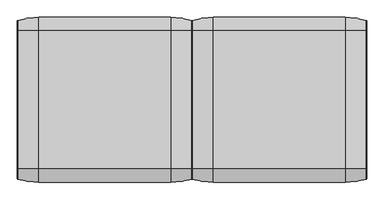
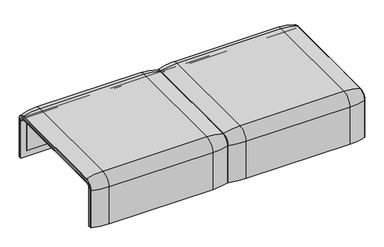
"""IFC4 building model written with IfcOpenShell, lengths in millimetres: furniture geometry."""

from ifc_helpers import new_model, si_unit, point, frame, frame_2d, origin, place, context, project, spatial, polyline, circle_curve, ellipse_curve, trimmed, segment, composite_curve, outline, extrude, source, transform, mapped, element, save
from ifc_brep_helpers import plane_surface, cylinder_surface, revolved_surface, advanced_brep


def furniture_81c71970(model_context):
    return source(origin(), model_context, "Body", "SolidModel", [
        advanced_brep(
        [(0.0, 324.3858663, 366.172434), (0.0, -324.3858663, 366.172434), (34.9, -324.3858663, 366.172434), (34.9, 324.3858663, 366.172434), (815.9812488, -324.3858663, 366.172434), (815.9812488, 324.3858663, 366.172434), (781.0812488, 324.3858663, 366.172434), (781.0812488, -324.3858663, 366.172434), (0.0, -357.5, 333.0583003), (0.0, -357.5, 100.5089435), (815.9812488, -357.5, 100.5089435), (815.9812488, -357.5, 333.0583003), (781.0812488, -357.5, 333.0583003), (781.0812488, -357.5, 135.3766997), (34.9, -357.5, 135.3766997), (34.9, -357.5, 333.0583003), (0.0, 351.0, 332.6742277), (0.0, 351.0, 100.5089435), (815.9812488, 351.0, 100.5089435), (815.9812488, 351.0, 332.6742277), (781.0812488, 351.0, 332.6742277), (781.0812488, 351.0, 135.3766997), (34.9, 351.0, 135.3766997), (34.9, 351.0, 332.6742277), (781.0812488, -351.0, 135.3766997), (781.0812488, 357.5, 333.0583003), (781.0812488, 357.5, 135.3766997), (781.0812488, 323.7517936, 359.922434), (781.0812488, -323.7517936, 359.922434), (781.0812488, -351.0, 332.6742277), (34.9, -351.0, 135.3766997), (0.0, 323.7517936, 359.922434), (0.0, -323.7517936, 359.922434), (0.0, -351.0, 332.6742277), (0.0, -351.0, 100.5089435), (0.0, 357.5, 333.0583003), (0.0, 357.5, 100.5089435), (815.9812488, 323.7517936, 359.922434), (815.9812488, 357.5, 100.5089435), (815.9812488, 357.5, 333.0583003), (815.9812488, -351.0, 100.5089435), (815.9812488, -351.0, 332.6742277), (815.9812488, -323.7517936, 359.922434), (34.9, -351.0, 332.6742277), (34.9, -323.7517936, 359.922434), (34.9, 323.7517936, 359.922434), (34.9, 357.5, 333.0583003), (34.9, 357.5, 135.3766997)],
        [
            (0, 1),
            (1, 2),
            (2, 3),
            (3, 0),
            (4, 5),
            (5, 6),
            (6, 7),
            (7, 4),
            (8, 9),
            (9, 10),
            (10, 11),
            (11, 12),
            (12, 13),
            (13, 14),
            (14, 15),
            (15, 8),
            (16, 17),
            (17, 18),
            (18, 19),
            (19, 20),
            (20, 21),
            (21, 22),
            (22, 23),
            (23, 16),
            (24, 13),
            (12, 7, circle_curve(frame((781.0812488, -324.3858663, 333.0583003), z_axis=(-1.0, 0.0, 0.0), x_axis=(0.0, -1.0, 0.0)), 33.1141337)),
            (6, 25, circle_curve(frame((781.0812488, 324.3858663, 333.0583003), z_axis=(-1.0, 0.0, 0.0), x_axis=(0.0, 1.0, 0.0)), 33.1141337)),
            (25, 26),
            (26, 21),
            (20, 27, circle_curve(frame((781.0812488, 323.7517936, 332.6742277), z_axis=(1.0, 0.0, 0.0), x_axis=(0.0, 1.0, 0.0)), 27.2482064)),
            (27, 28),
            (28, 29, circle_curve(frame((781.0812488, -323.7517936, 332.6742277), z_axis=(1.0, 0.0, 0.0), x_axis=(0.0, -1.0, 0.0)), 27.2482064)),
            (29, 24),
            (30, 14),
            (24, 30),
            (31, 32),
            (32, 33, circle_curve(frame((0.0, -323.7517936, 332.6742277), z_axis=(1.0, 0.0, 0.0), x_axis=(0.0, -1.0, 0.0)), 27.2482064)),
            (33, 34),
            (34, 9),
            (8, 1, circle_curve(frame((0.0, -324.3858663, 333.0583003), z_axis=(-1.0, 0.0, 0.0), x_axis=(0.0, -1.0, 0.0)), 33.1141337)),
            (0, 35, circle_curve(frame((0.0, 324.3858663, 333.0583003), z_axis=(-1.0, 0.0, 0.0), x_axis=(0.0, 1.0, 0.0)), 33.1141337)),
            (35, 36),
            (36, 17),
            (16, 31, circle_curve(frame((0.0, 323.7517936, 332.6742277), z_axis=(1.0, 0.0, 0.0), x_axis=(0.0, 1.0, 0.0)), 27.2482064)),
            (37, 19, circle_curve(frame((815.9812488, 323.7517936, 332.6742277), z_axis=(-1.0, 0.0, 0.0), x_axis=(0.0, 1.0, 0.0)), 27.2482064)),
            (18, 38),
            (38, 39),
            (39, 5, circle_curve(frame((815.9812488, 324.3858663, 333.0583003), z_axis=(1.0, 0.0, 0.0), x_axis=(0.0, 1.0, 0.0)), 33.1141337)),
            (4, 11, circle_curve(frame((815.9812488, -324.3858663, 333.0583003), z_axis=(1.0, 0.0, 0.0), x_axis=(0.0, -1.0, 0.0)), 33.1141337)),
            (10, 40),
            (40, 41),
            (41, 42, circle_curve(frame((815.9812488, -323.7517936, 332.6742277), z_axis=(-1.0, 0.0, 0.0), x_axis=(0.0, -1.0, 0.0)), 27.2482064)),
            (42, 37),
            (15, 2, circle_curve(frame((34.9, -324.3858663, 333.0583003), z_axis=(-1.0, 0.0, 0.0), x_axis=(0.0, -1.0, 0.0)), 33.1141337)),
            (34, 40),
            (33, 43),
            (43, 30),
            (29, 41),
            (32, 44),
            (44, 43, circle_curve(frame((34.9, -323.7517936, 332.6742277), z_axis=(1.0, 0.0, 0.0), x_axis=(0.0, -1.0, 0.0)), 27.2482064)),
            (28, 42),
            (31, 45),
            (45, 44),
            (27, 37),
            (3, 46, circle_curve(frame((34.9, 324.3858663, 333.0583003), z_axis=(-1.0, 0.0, 0.0), x_axis=(0.0, 1.0, 0.0)), 33.1141337)),
            (46, 35),
            (39, 25),
            (46, 47),
            (47, 26),
            (38, 36),
            (23, 45, circle_curve(frame((34.9, 323.7517936, 332.6742277), z_axis=(1.0, 0.0, 0.0), x_axis=(0.0, 1.0, 0.0)), 27.2482064)),
            (22, 47),
        ],
        [
            plane_surface(frame((0.0, -324.3858663, 366.172434), z_axis=(0.0, 0.0, 1.0), x_axis=(1.0, 0.0, 0.0))),
            plane_surface(frame((0.0, -357.5, 100.5089435), z_axis=(0.0, -1.0, 0.0), x_axis=(1.0, 0.0, 0.0))),
            plane_surface(frame((0.0, 351.0, 100.5089435), z_axis=(0.0, -1.0, 0.0), x_axis=(1.0, 0.0, 0.0))),
            plane_surface(frame((781.0812488, -296.9265415, 359.922434), z_axis=(-1.0, 0.0, 0.0), x_axis=(0.0, 1.0, 0.0))),
            plane_surface(frame((34.9, -351.0, 135.3766997), z_axis=(0.0, 0.0, 1.0), x_axis=(1.0, 0.0, 0.0))),
            plane_surface(frame((0.0, -296.9265415, 359.922434), z_axis=(-1.0, 0.0, 0.0), x_axis=(0.0, -1.0, 0.0))),
            plane_surface(frame((815.9812488, -296.9265415, 359.922434), z_axis=(1.0, 0.0, 0.0), x_axis=(0.0, 1.0, 0.0))),
            cylinder_surface(frame((815.9812488, -324.3858663, 333.0583003), z_axis=(-1.0, 0.0, 0.0), x_axis=(0.0, -1.0, 0.0)), 33.1141337),
            plane_surface(frame((0.0, -351.0, 100.5089435), z_axis=(0.0, 0.0, -1.0), x_axis=(1.0, 0.0, 0.0))),
            plane_surface(frame((0.0, -351.0, 332.6742277), z_axis=(0.0, 1.0, 0.0), x_axis=(1.0, 0.0, 0.0))),
            revolved_surface(polyline([(34.89999999999998, -351.0, 332.6742277), (0.0, -351.0, 332.6742277)]), (815.9812488, -323.7517936, 332.6742277), (1.0, 0.0, 0.0)),
            revolved_surface(polyline([(815.9812488, -351.0, 332.6742277), (781.0812488, -351.0, 332.6742277)]), (815.9812488, -323.7517936, 332.6742277), (1.0, 0.0, 0.0)),
            plane_surface(frame((0.0, 323.7517936, 359.922434), z_axis=(0.0, 0.0, -1.0), x_axis=(1.0, 0.0, 0.0))),
            cylinder_surface(frame((815.9812488, 324.3858663, 333.0583003), z_axis=(-1.0, 0.0, 0.0), x_axis=(0.0, 1.0, 0.0)), 33.1141337),
            plane_surface(frame((0.0, 357.5, 333.0583003), z_axis=(0.0, 1.0, 0.0), x_axis=(1.0, 0.0, 0.0))),
            plane_surface(frame((0.0, 357.5, 100.5089435), z_axis=(0.0, 0.0, -1.0), x_axis=(1.0, 0.0, 0.0))),
            revolved_surface(polyline([(34.89999999999998, 351.0, 332.6742277), (0.0, 351.0, 332.6742277)]), (815.9812488, 323.7517936, 332.6742277), (1.0, 0.0, 0.0)),
            revolved_surface(polyline([(815.9812488, 351.0, 332.6742277), (781.0812488, 351.0, 332.6742277)]), (815.9812488, 323.7517936, 332.6742277), (1.0, 0.0, 0.0)),
            plane_surface(frame((34.9, -296.9265415, 359.922434), z_axis=(1.0, 0.0, 0.0), x_axis=(0.0, -1.0, 0.0))),
            plane_surface(frame((34.9, 357.5, 135.3766997), z_axis=(0.0, 0.0, 1.0), x_axis=(1.0, 0.0, 0.0))),
        ],
        [
            (0, [[1, 2, 3, 4]]),
            (0, [[5, 6, 7, 8]]),
            (1, [[9, 10, 11, 12, 13, 14, 15, 16]]),
            (2, [[17, 18, 19, 20, 21, 22, 23, 24]]),
            (3, [[25, -13, 26, -7, 27, 28, 29, -21, 30, 31, 32, 33]]),
            (4, [[34, -14, -25, 35]]),
            (5, [[36, 37, 38, 39, -9, 40, -1, 41, 42, 43, -17, 44]]),
            (6, [[45, -19, 46, 47, 48, -5, 49, -11, 50, 51, 52, 53]]),
            (7, [[-40, -16, 54, -2]]),
            (7, [[-49, -8, -26, -12]]),
            (8, [[-39, 55, -50, -10]]),
            (9, [[-38, 56, 57, -35, -33, 58, -51, -55]]),
            (10, [[-37, 59, 60, -56]]),
            (11, [[-52, -58, -32, 61]]),
            (12, [[-36, 62, 63, -59]]),
            (12, [[-53, -61, -31, 64]]),
            (13, [[-41, -4, 65, 66]]),
            (13, [[-48, 67, -27, -6]]),
            (14, [[-42, -66, 68, 69, -28, -67, -47, 70]]),
            (15, [[-43, -70, -46, -18]]),
            (16, [[-44, -24, 71, -62]]),
            (17, [[-45, -64, -30, -20]]),
            (18, [[72, -68, -65, -3, -54, -15, -34, -57, -60, -63, -71, -23]]),
            (19, [[-72, -22, -29, -69]]),
        ],
    ),
        extrude(outline(composite_curve([segment(polyline([(323.7517936, 359.922434), (-323.7517936, 359.922434)]), True, "CONTINUOUS"), segment(trimmed(circle_curve(frame_2d((-323.7517936, 332.6742277)), 27.2482064), [point((-323.7517936, 359.922434))], [point((-351.0, 332.6742277))], True, "CARTESIAN"), True, "CONTINUOUS"), segment(polyline([(-351.0, 332.6742277), (-351.0, 135.3766997), (-357.5, 135.3766997), (-357.5, 333.0583003)]), True, "CONTINUOUS"), segment(trimmed(circle_curve(frame_2d((-324.3858663, 333.0583003)), 33.1141337), [point((-357.5, 333.0583003))], [point((-324.3858663, 366.172434))], False, "CARTESIAN"), True, "CONTINUOUS"), segment(polyline([(-324.3858663, 366.172434), (324.3858663, 366.172434)]), True, "CONTINUOUS"), segment(trimmed(circle_curve(frame_2d((324.3858663, 333.0583003)), 33.1141337), [point((324.3858663, 366.172434))], [point((357.5, 333.0583003))], False, "CARTESIAN"), True, "CONTINUOUS"), segment(polyline([(357.5, 333.0583003), (357.5, 135.3766997), (351.0, 135.3766997), (351.0, 332.6742277)]), True, "CONTINUOUS"), segment(trimmed(circle_curve(frame_2d((323.7517936, 332.6742277)), 27.2482064), [point((351.0, 332.6742277))], [point((323.7517936, 359.922434))], True, "CARTESIAN"), True, "CONTINUOUS")], self_intersect=False)), frame((34.9, 0.0, 0.0), z_axis=(1.0, 0.0, 0.0), x_axis=(0.0, 1.0, 0.0)), (0.0, 0.0, 1.0), 746.1812488),
        advanced_brep(
        [(0.0, -368.7793679, 100.5089435), (0.0, -357.5, 100.5089435), (815.9812488, -357.5, 100.5089435), (815.9812488, -368.7793679, 100.5089435), (813.8426203, -371.6530483, 100.5089435), (715.9812488, -386.0043559, 100.5089435), (100.0, -386.0043559, 100.5089435), (2.1386285, -371.6530483, 100.5089435), (0.0, 368.7793679, 100.5089435), (2.1386285, 371.6530483, 100.5089435), (100.0, 386.0043559, 100.5089435), (715.9812488, 386.0043559, 100.5089435), (813.8426203, 371.6530483, 100.5089435), (815.9812488, 368.7793679, 100.5089435), (815.9812488, 357.5, 100.5089435), (0.0, 357.5, 100.5089435), (0.0, -368.7793679, 333.0583003), (0.0, -324.3858663, 377.4518019), (0.0, 324.3858663, 377.4518019), (0.0, 368.7793679, 333.0583003), (0.0, 357.5, 333.0583003), (0.0, 324.3858663, 366.172434), (0.0, -324.3858663, 366.172434), (0.0, -357.5, 333.0583003), (815.9812488, -357.5, 333.0583003), (715.9812488, -386.0043559, 333.0583003), (100.0, -386.0043559, 333.0583003), (2.1386285, -371.6530483, 333.0583003), (815.9812488, -324.3858663, 366.172434), (100.0, -324.3858663, 394.67679), (715.9812488, -324.3858663, 394.67679), (2.1386285, -324.3858663, 380.3254823), (815.9812488, 324.3858663, 366.172434), (715.9812488, 324.3858663, 394.67679), (100.0, 324.3858663, 394.67679), (2.1386285, 324.3858663, 380.3254823), (815.9812488, 357.5, 333.0583003), (100.0, 386.0043559, 333.0583003), (715.9812488, 386.0043559, 333.0583003), (2.1386285, 371.6530483, 333.0583003), (815.9812488, 368.7793679, 333.0583003), (815.9812488, 324.3858663, 377.4518019), (815.9812488, -324.3858663, 377.4518019), (815.9812488, -368.7793679, 333.0583003), (813.8426203, -371.6530483, 333.0583003), (813.8426203, -324.3858663, 380.3254823), (813.8426203, 324.3858663, 380.3254823), (813.8426203, 371.6530483, 333.0583003)],
        [
            (0, 1),
            (1, 2),
            (2, 3),
            (3, 4, circle_curve(frame((812.9812488, -368.7793679, 100.5089435), z_axis=(0.0, 0.0, -1.0), x_axis=(-1.0, 0.0, 0.0)), 3.0)),
            (4, 5, circle_curve(frame((715.9812488, -45.1710226, 100.5089435), z_axis=(0.0, 0.0, -1.0), x_axis=(0.0, 1.0, 0.0)), 340.8333333)),
            (5, 6),
            (6, 7, circle_curve(frame((100.0, -45.1710226, 100.5089435), z_axis=(0.0, 0.0, -1.0), x_axis=(0.0, 1.0, 0.0)), 340.8333333)),
            (7, 0, circle_curve(frame((3.0, -368.7793679, 100.5089435), z_axis=(0.0, 0.0, -1.0), x_axis=(1.0, 0.0, 0.0)), 3.0)),
            (8, 9, circle_curve(frame((3.0, 368.7793679, 100.5089435), z_axis=(0.0, 0.0, -1.0), x_axis=(1.0, 0.0, 0.0)), 3.0)),
            (9, 10, circle_curve(frame((100.0, 45.1710226, 100.5089435), z_axis=(0.0, 0.0, -1.0), x_axis=(0.0, -1.0, 0.0)), 340.8333333)),
            (10, 11),
            (11, 12, circle_curve(frame((715.9812488, 45.1710226, 100.5089435), z_axis=(0.0, 0.0, -1.0), x_axis=(0.0, -1.0, 0.0)), 340.8333333)),
            (12, 13, circle_curve(frame((812.9812488, 368.7793679, 100.5089435), z_axis=(0.0, 0.0, -1.0), x_axis=(-1.0, 0.0, 0.0)), 3.0)),
            (13, 14),
            (14, 15),
            (15, 8),
            (0, 16),
            (16, 17, circle_curve(frame((0.0, -324.3858663, 333.0583003), z_axis=(-1.0, 0.0, 0.0), x_axis=(0.0, -1.0, 0.0)), 44.3935016)),
            (17, 18),
            (18, 19, circle_curve(frame((0.0, 324.3858663, 333.0583003), z_axis=(-1.0, 0.0, 0.0), x_axis=(0.0, 0.0, 1.0)), 44.3935016)),
            (19, 8),
            (15, 20),
            (20, 21, circle_curve(frame((0.0, 324.3858663, 333.0583003), z_axis=(1.0, 0.0, 0.0), x_axis=(0.0, 0.0, 1.0)), 33.1141337)),
            (21, 22),
            (22, 23, circle_curve(frame((0.0, -324.3858663, 333.0583003), z_axis=(1.0, 0.0, 0.0), x_axis=(0.0, -1.0, 0.0)), 33.1141337)),
            (23, 1),
            (23, 24),
            (24, 2),
            (5, 25),
            (25, 26),
            (26, 6),
            (26, 27, circle_curve(frame((100.0, -45.1710226, 333.0583003), z_axis=(0.0, 0.0, -1.0), x_axis=(0.0, 1.0, 0.0)), 340.8333333)),
            (27, 7),
            (27, 16, circle_curve(frame((3.0, -368.7793679, 333.0583003), z_axis=(0.0, 0.0, -1.0), x_axis=(1.0, 0.0, 0.0)), 3.0)),
            (28, 24, circle_curve(frame((815.9812488, -324.3858663, 333.0583003), z_axis=(1.0, 0.0, 0.0), x_axis=(0.0, -1.0, 0.0)), 33.1141337)),
            (22, 28),
            (29, 26, circle_curve(frame((100.0, -324.3858663, 333.0583003), z_axis=(1.0, 0.0, 0.0), x_axis=(0.0, -1.0, 0.0)), 61.6184897)),
            (25, 30, circle_curve(frame((715.9812488, -324.3858663, 333.0583003), z_axis=(-1.0, 0.0, 0.0), x_axis=(0.0, -1.0, 0.0)), 61.6184897)),
            (30, 29),
            (31, 27, circle_curve(frame((2.1386285, -324.3858663, 333.0583003), z_axis=(1.0, 0.0, 0.0), x_axis=(0.0, -1.0, 0.0)), 47.267182)),
            (29, 31, circle_curve(frame((100.0, -324.3858663, 53.8434566), z_axis=(0.0, -1.0, 0.0), x_axis=(0.0, 0.0, -1.0)), 340.8333333)),
            (31, 17, circle_curve(frame((3.0, -324.3858663, 377.4518019), z_axis=(0.0, -1.0, 0.0), x_axis=(1.0, 0.0, 0.0)), 3.0)),
            (21, 32),
            (32, 28),
            (30, 33),
            (33, 34),
            (34, 29),
            (34, 35, circle_curve(frame((100.0, 324.3858663, 53.8434566), z_axis=(0.0, -1.0, 0.0), x_axis=(0.0, 0.0, -1.0)), 340.8333333)),
            (35, 31),
            (35, 18, circle_curve(frame((3.0, 324.3858663, 377.4518019), z_axis=(0.0, -1.0, 0.0), x_axis=(1.0, 0.0, 0.0)), 3.0)),
            (36, 32, circle_curve(frame((815.9812488, 324.3858663, 333.0583003), z_axis=(1.0, 0.0, 0.0), x_axis=(0.0, 0.0, 1.0)), 33.1141337)),
            (20, 36),
            (37, 34, circle_curve(frame((100.0, 324.3858663, 333.0583003), z_axis=(1.0, 0.0, 0.0), x_axis=(0.0, 0.0, 1.0)), 61.6184897)),
            (33, 38, circle_curve(frame((715.9812488, 324.3858663, 333.0583003), z_axis=(-1.0, 0.0, 0.0), x_axis=(0.0, 0.0, 1.0)), 61.6184897)),
            (38, 37),
            (39, 35, circle_curve(frame((2.1386285, 324.3858663, 333.0583003), z_axis=(1.0, 0.0, 0.0), x_axis=(0.0, 0.0, 1.0)), 47.267182)),
            (37, 39, circle_curve(frame((100.0, 45.1710226, 333.0583003), z_axis=(0.0, 0.0, 1.0), x_axis=(0.0, -1.0, 0.0)), 340.8333333)),
            (39, 19, circle_curve(frame((3.0, 368.7793679, 333.0583003), z_axis=(0.0, 0.0, 1.0), x_axis=(1.0, 0.0, 0.0)), 3.0)),
            (14, 36),
            (38, 11),
            (10, 37),
            (9, 39),
            (13, 40),
            (40, 41, circle_curve(frame((815.9812488, 324.3858663, 333.0583003), z_axis=(1.0, 0.0, 0.0), x_axis=(0.0, 0.0, 1.0)), 44.3935016)),
            (41, 42),
            (42, 43, circle_curve(frame((815.9812488, -324.3858663, 333.0583003), z_axis=(1.0, 0.0, 0.0), x_axis=(0.0, -1.0, 0.0)), 44.3935016)),
            (43, 3),
            (43, 44, circle_curve(frame((812.9812488, -368.7793679, 333.0583003), z_axis=(0.0, 0.0, -1.0), x_axis=(-1.0, 0.0, 0.0)), 3.0)),
            (44, 4),
            (44, 25, circle_curve(frame((715.9812488, -45.1710226, 333.0583003), z_axis=(0.0, 0.0, -1.0), x_axis=(0.0, 1.0, 0.0)), 340.8333333)),
            (45, 44, circle_curve(frame((813.8426203, -324.3858663, 333.0583003), z_axis=(1.0, 0.0, 0.0), x_axis=(0.0, -1.0, 0.0)), 47.267182)),
            (42, 45, circle_curve(frame((812.9812488, -324.3858663, 377.4518019), z_axis=(0.0, -1.0, 0.0), x_axis=(-1.0, 0.0, 0.0)), 3.0)),
            (45, 30, circle_curve(frame((715.9812488, -324.3858663, 53.8434566), z_axis=(0.0, -1.0, 0.0), x_axis=(0.0, 0.0, -1.0)), 340.8333333)),
            (41, 46, circle_curve(frame((812.9812488, 324.3858663, 377.4518019), z_axis=(0.0, -1.0, 0.0), x_axis=(-1.0, 0.0, 0.0)), 3.0)),
            (46, 45),
            (46, 33, circle_curve(frame((715.9812488, 324.3858663, 53.8434566), z_axis=(0.0, -1.0, 0.0), x_axis=(0.0, 0.0, -1.0)), 340.8333333)),
            (47, 46, circle_curve(frame((813.8426203, 324.3858663, 333.0583003), z_axis=(1.0, 0.0, 0.0), x_axis=(0.0, 0.0, 1.0)), 47.267182)),
            (40, 47, circle_curve(frame((812.9812488, 368.7793679, 333.0583003), z_axis=(0.0, 0.0, 1.0), x_axis=(-1.0, 0.0, 0.0)), 3.0)),
            (47, 38, circle_curve(frame((715.9812488, 45.1710226, 333.0583003), z_axis=(0.0, 0.0, 1.0), x_axis=(0.0, -1.0, 0.0)), 340.8333333)),
            (12, 47),
        ],
        [
            plane_surface(frame((0.0, -357.5, 100.5089435), z_axis=(0.0, 0.0, -1.0), x_axis=(1.0, 0.0, 0.0))),
            plane_surface(frame((0.0, 357.5, 100.5089435), z_axis=(0.0, 0.0, -1.0), x_axis=(1.0, 0.0, 0.0))),
            plane_surface(frame((0.0, -368.7793679, 100.5089435), z_axis=(-1.0, 0.0, 0.0), x_axis=(0.0, 0.0, 1.0))),
            plane_surface(frame((0.0, -357.5, 100.5089435), z_axis=(0.0, 1.0, 0.0), x_axis=(0.0, 0.0, 1.0))),
            plane_surface(frame((715.9812488, -386.0043559, 100.5089435), z_axis=(0.0, -1.0, 0.0), x_axis=(0.0, 0.0, 1.0))),
            cylinder_surface(frame((100.0, -45.1710226, 100.5089435), z_axis=(0.0, 0.0, -1.0), x_axis=(0.0, 1.0, 0.0)), 340.8333333),
            cylinder_surface(frame((3.0, -368.7793679, 100.5089435), z_axis=(0.0, 0.0, -1.0), x_axis=(1.0, 0.0, 0.0)), 3.0),
            revolved_surface(polyline([(0.0, -357.5, 333.0583003), (815.9812488, -357.5, 333.0583003)]), (0.0, -324.3858663, 333.0583003), (-1.0, 0.0, 0.0)),
            cylinder_surface(frame((0.0, -324.3858663, 333.0583003), z_axis=(-1.0, 0.0, 0.0), x_axis=(0.0, -1.0, 0.0)), 61.6184897),
            revolved_surface(trimmed(ellipse_curve(frame((100.0, -45.1710226, 333.0583003), z_axis=(0.0, 0.0, -1.0), x_axis=(0.0, 1.0, 0.0)), 340.8333333, 340.8333333), [point((100.0, -386.0043559, 333.0583003))], [point((2.1386285, -371.6530483, 333.0583003))], True, "CARTESIAN"), (0.0, -324.3858663, 333.0583003), (-1.0, 0.0, 0.0)),
            revolved_surface(trimmed(ellipse_curve(frame((3.0, -368.7793679, 333.0583003), z_axis=(0.0, 0.0, -1.0), x_axis=(1.0, 0.0, 0.0)), 3.0, 3.0), [point((2.1386285, -371.6530483, 333.0583003))], [point((0.0, -368.7793679, 333.0583003))], True, "CARTESIAN"), (0.0, -324.3858663, 333.0583003), (-1.0, 0.0, 0.0)),
            plane_surface(frame((0.0, -324.3858663, 366.172434), z_axis=(0.0, 0.0, -1.0), x_axis=(0.0, 1.0, 0.0))),
            plane_surface(frame((715.9812488, -324.3858663, 394.67679), z_axis=(0.0, 0.0, 1.0), x_axis=(0.0, 1.0, 0.0))),
            cylinder_surface(frame((100.0, -324.3858663, 53.8434566), z_axis=(0.0, -1.0, 0.0), x_axis=(0.0, 0.0, -1.0)), 340.8333333),
            cylinder_surface(frame((3.0, -324.3858663, 377.4518019), z_axis=(0.0, -1.0, 0.0), x_axis=(1.0, 0.0, 0.0)), 3.0),
            revolved_surface(polyline([(0.0, 324.3858663, 366.17243399999995), (815.9812488, 324.3858663, 366.17243399999995)]), (0.0, 324.3858663, 333.0583003), (-1.0, 0.0, 0.0)),
            cylinder_surface(frame((0.0, 324.3858663, 333.0583003), z_axis=(-1.0, 0.0, 0.0), x_axis=(0.0, 0.0, 1.0)), 61.6184897),
            revolved_surface(trimmed(ellipse_curve(frame((100.0, 324.3858663, 53.8434566), z_axis=(0.0, -1.0, 0.0), x_axis=(0.0, 0.0, -1.0)), 340.8333333, 340.8333333), [point((100.0, 324.3858663, 394.67679))], [point((2.1386285, 324.3858663, 380.3254823))], True, "CARTESIAN"), (0.0, 324.3858663, 333.0583003), (-1.0, 0.0, 0.0)),
            revolved_surface(trimmed(ellipse_curve(frame((3.0, 324.3858663, 377.4518019), z_axis=(0.0, -1.0, 0.0), x_axis=(1.0, 0.0, 0.0)), 3.0, 3.0), [point((2.1386285, 324.3858663, 380.3254823))], [point((0.0, 324.3858663, 377.4518019))], True, "CARTESIAN"), (0.0, 324.3858663, 333.0583003), (-1.0, 0.0, 0.0)),
            plane_surface(frame((0.0, 357.5, 333.0583003), z_axis=(0.0, -1.0, 0.0), x_axis=(0.0, 0.0, -1.0))),
            plane_surface(frame((715.9812488, 386.0043559, 333.0583003), z_axis=(0.0, 1.0, 0.0), x_axis=(0.0, 0.0, -1.0))),
            cylinder_surface(frame((100.0, 45.1710226, 333.0583003), z_axis=(0.0, 0.0, 1.0), x_axis=(0.0, -1.0, 0.0)), 340.8333333),
            cylinder_surface(frame((3.0, 368.7793679, 333.0583003), z_axis=(0.0, 0.0, 1.0), x_axis=(1.0, 0.0, 0.0)), 3.0),
            plane_surface(frame((815.9812488, -357.5, 100.5089435), z_axis=(1.0, 0.0, 0.0), x_axis=(0.0, 0.0, 1.0))),
            cylinder_surface(frame((812.9812488, -368.7793679, 100.5089435), z_axis=(0.0, 0.0, -1.0), x_axis=(-1.0, 0.0, 0.0)), 3.0),
            cylinder_surface(frame((715.9812488, -45.1710226, 100.5089435), z_axis=(0.0, 0.0, -1.0), x_axis=(0.0, 1.0, 0.0)), 340.8333333),
            revolved_surface(trimmed(ellipse_curve(frame((812.9812488, -368.7793679, 333.0583003), z_axis=(0.0, 0.0, -1.0), x_axis=(-1.0, 0.0, 0.0)), 3.0, 3.0), [point((815.9812488, -368.7793679, 333.0583003))], [point((813.8426203, -371.6530483, 333.0583003))], True, "CARTESIAN"), (0.0, -324.3858663, 333.0583003), (-1.0, 0.0, 0.0)),
            revolved_surface(trimmed(ellipse_curve(frame((715.9812488, -45.1710226, 333.0583003), z_axis=(0.0, 0.0, -1.0), x_axis=(0.0, 1.0, 0.0)), 340.8333333, 340.8333333), [point((813.8426203, -371.6530483, 333.0583003))], [point((715.9812488, -386.0043559, 333.0583003))], True, "CARTESIAN"), (0.0, -324.3858663, 333.0583003), (-1.0, 0.0, 0.0)),
            cylinder_surface(frame((812.9812488, -324.3858663, 377.4518019), z_axis=(0.0, -1.0, 0.0), x_axis=(-1.0, 0.0, 0.0)), 3.0),
            cylinder_surface(frame((715.9812488, -324.3858663, 53.8434566), z_axis=(0.0, -1.0, 0.0), x_axis=(0.0, 0.0, -1.0)), 340.8333333),
            revolved_surface(trimmed(ellipse_curve(frame((812.9812488, 324.3858663, 377.4518019), z_axis=(0.0, -1.0, 0.0), x_axis=(-1.0, 0.0, 0.0)), 3.0, 3.0), [point((815.9812488, 324.3858663, 377.4518019))], [point((813.8426203, 324.3858663, 380.3254823))], True, "CARTESIAN"), (0.0, 324.3858663, 333.0583003), (-1.0, 0.0, 0.0)),
            revolved_surface(trimmed(ellipse_curve(frame((715.9812488, 324.3858663, 53.8434566), z_axis=(0.0, -1.0, 0.0), x_axis=(0.0, 0.0, -1.0)), 340.8333333, 340.8333333), [point((813.8426203, 324.3858663, 380.3254823))], [point((715.9812488, 324.3858663, 394.67679))], True, "CARTESIAN"), (0.0, 324.3858663, 333.0583003), (-1.0, 0.0, 0.0)),
            cylinder_surface(frame((812.9812488, 368.7793679, 333.0583003), z_axis=(0.0, 0.0, 1.0), x_axis=(-1.0, 0.0, 0.0)), 3.0),
            cylinder_surface(frame((715.9812488, 45.1710226, 333.0583003), z_axis=(0.0, 0.0, 1.0), x_axis=(0.0, -1.0, 0.0)), 340.8333333),
        ],
        [
            (0, [[1, 2, 3, 4, 5, 6, 7, 8]]),
            (1, [[9, 10, 11, 12, 13, 14, 15, 16]]),
            (2, [[-1, 17, 18, 19, 20, 21, -16, 22, 23, 24, 25, 26]]),
            (3, [[-2, -26, 27, 28]]),
            (4, [[-6, 29, 30, 31]]),
            (5, [[-7, -31, 32, 33]]),
            (6, [[-8, -33, 34, -17]]),
            (7, [[35, -27, -25, 36]]),
            (8, [[37, -30, 38, 39]]),
            (9, [[40, -32, -37, 41]]),
            (10, [[-18, -34, -40, 42]]),
            (11, [[-36, -24, 43, 44]]),
            (12, [[-39, 45, 46, 47]]),
            (13, [[-41, -47, 48, 49]]),
            (14, [[-42, -49, 50, -19]]),
            (15, [[51, -43, -23, 52]]),
            (16, [[53, -46, 54, 55]]),
            (17, [[56, -48, -53, 57]]),
            (18, [[-20, -50, -56, 58]]),
            (19, [[-52, -22, -15, 59]]),
            (20, [[-55, 60, -11, 61]]),
            (21, [[-57, -61, -10, 62]]),
            (22, [[-58, -62, -9, -21]]),
            (23, [[-3, -28, -35, -44, -51, -59, -14, 63, 64, 65, 66, 67]]),
            (24, [[-4, -67, 68, 69]]),
            (25, [[-5, -69, 70, -29]]),
            (26, [[71, -68, -66, 72]]),
            (27, [[-38, -70, -71, 73]]),
            (28, [[-72, -65, 74, 75]]),
            (29, [[-73, -75, 76, -45]]),
            (30, [[77, -74, -64, 78]]),
            (31, [[-54, -76, -77, 79]]),
            (32, [[-78, -63, -13, 80]]),
            (33, [[-79, -80, -12, -60]]),
        ],
    ),
        advanced_brep(
        [(-815.997793, 323.7517936, 359.922434), (-815.997793, -323.7517936, 359.922434), (-815.997793, -351.0, 332.6742277), (-815.997793, -351.0, 100.5089435), (-815.997793, -357.5, 100.5089435), (-815.997793, -357.5, 333.0583003), (-815.997793, -324.3858663, 366.172434), (-815.997793, 324.3858663, 366.172434), (-815.997793, 357.5, 333.0583003), (-815.997793, 357.5, 100.5089435), (-815.997793, 351.0, 100.5089435), (-815.997793, 351.0, 332.6742277), (-0.0165441, 323.7517936, 359.922434), (-0.0165441, 351.0, 332.6742277), (-0.0165441, 351.0, 100.5089435), (-0.0165441, 357.5, 100.5089435), (-0.0165441, 357.5, 333.0583003), (-0.0165441, 324.3858663, 366.172434), (-0.0165441, -324.3858663, 366.172434), (-0.0165441, -357.5, 333.0583003), (-0.0165441, -357.5, 100.5089435), (-0.0165441, -351.0, 100.5089435), (-0.0165441, -351.0, 332.6742277), (-0.0165441, -323.7517936, 359.922434), (-781.097793, -324.3858663, 366.172434), (-781.097793, 324.3858663, 366.172434), (-34.9165441, 324.3858663, 366.172434), (-34.9165441, -324.3858663, 366.172434), (-781.097793, -357.5, 333.0583003), (-34.9165441, -357.5, 333.0583003), (-34.9165441, -357.5, 135.3766997), (-781.097793, -357.5, 135.3766997), (-781.097793, -351.0, 332.6742277), (-781.097793, -351.0, 135.3766997), (-34.9165441, -351.0, 135.3766997), (-34.9165441, -351.0, 332.6742277), (-781.097793, -323.7517936, 359.922434), (-34.9165441, -323.7517936, 359.922434), (-781.097793, 323.7517936, 359.922434), (-34.9165441, 323.7517936, 359.922434), (-781.097793, 357.5, 333.0583003), (-34.9165441, 357.5, 333.0583003), (-781.097793, 357.5, 135.3766997), (-34.9165441, 357.5, 135.3766997), (-34.9165441, 351.0, 332.6742277), (-34.9165441, 351.0, 135.3766997), (-781.097793, 351.0, 135.3766997), (-781.097793, 351.0, 332.6742277)],
        [
            (0, 1),
            (1, 2, circle_curve(frame((-815.997793, -323.7517936, 332.6742277), z_axis=(1.0, 0.0, 0.0), x_axis=(0.0, -1.0, 0.0)), 27.2482064)),
            (2, 3),
            (3, 4),
            (4, 5),
            (5, 6, circle_curve(frame((-815.997793, -324.3858663, 333.0583003), z_axis=(-1.0, 0.0, 0.0), x_axis=(0.0, -1.0, 0.0)), 33.1141337)),
            (6, 7),
            (7, 8, circle_curve(frame((-815.997793, 324.3858663, 333.0583003), z_axis=(-1.0, 0.0, 0.0), x_axis=(0.0, 1.0, 0.0)), 33.1141337)),
            (8, 9),
            (9, 10),
            (10, 11),
            (11, 0, circle_curve(frame((-815.997793, 323.7517936, 332.6742277), z_axis=(1.0, 0.0, 0.0), x_axis=(0.0, 1.0, 0.0)), 27.2482064)),
            (12, 13, circle_curve(frame((-0.0165441, 323.7517936, 332.6742277), z_axis=(-1.0, 0.0, 0.0), x_axis=(0.0, 1.0, 0.0)), 27.2482064)),
            (13, 14),
            (14, 15),
            (15, 16),
            (16, 17, circle_curve(frame((-0.0165441, 324.3858663, 333.0583003), z_axis=(1.0, 0.0, 0.0), x_axis=(0.0, 1.0, 0.0)), 33.1141337)),
            (17, 18),
            (18, 19, circle_curve(frame((-0.0165441, -324.3858663, 333.0583003), z_axis=(1.0, 0.0, 0.0), x_axis=(0.0, -1.0, 0.0)), 33.1141337)),
            (19, 20),
            (20, 21),
            (21, 22),
            (22, 23, circle_curve(frame((-0.0165441, -323.7517936, 332.6742277), z_axis=(-1.0, 0.0, 0.0), x_axis=(0.0, -1.0, 0.0)), 27.2482064)),
            (23, 12),
            (6, 24),
            (24, 25),
            (25, 7),
            (17, 26),
            (26, 27),
            (27, 18),
            (5, 28),
            (28, 24, circle_curve(frame((-781.097793, -324.3858663, 333.0583003), z_axis=(-1.0, 0.0, 0.0), x_axis=(0.0, -1.0, 0.0)), 33.1141337)),
            (27, 29, circle_curve(frame((-34.9165441, -324.3858663, 333.0583003), z_axis=(1.0, 0.0, 0.0), x_axis=(0.0, -1.0, 0.0)), 33.1141337)),
            (29, 19),
            (4, 20),
            (29, 30),
            (30, 31),
            (31, 28),
            (3, 21),
            (2, 32),
            (32, 33),
            (33, 34),
            (34, 35),
            (35, 22),
            (1, 36),
            (36, 32, circle_curve(frame((-781.097793, -323.7517936, 332.6742277), z_axis=(1.0, 0.0, 0.0), x_axis=(0.0, -1.0, 0.0)), 27.2482064)),
            (35, 37, circle_curve(frame((-34.9165441, -323.7517936, 332.6742277), z_axis=(-1.0, 0.0, 0.0), x_axis=(0.0, -1.0, 0.0)), 27.2482064)),
            (37, 23),
            (0, 38),
            (38, 36),
            (37, 39),
            (39, 12),
            (25, 40, circle_curve(frame((-781.097793, 324.3858663, 333.0583003), z_axis=(-1.0, 0.0, 0.0), x_axis=(0.0, 1.0, 0.0)), 33.1141337)),
            (40, 8),
            (16, 41),
            (41, 26, circle_curve(frame((-34.9165441, 324.3858663, 333.0583003), z_axis=(1.0, 0.0, 0.0), x_axis=(0.0, 1.0, 0.0)), 33.1141337)),
            (40, 42),
            (42, 43),
            (43, 41),
            (15, 9),
            (14, 10),
            (13, 44),
            (44, 45),
            (45, 46),
            (46, 47),
            (47, 11),
            (47, 38, circle_curve(frame((-781.097793, 323.7517936, 332.6742277), z_axis=(1.0, 0.0, 0.0), x_axis=(0.0, 1.0, 0.0)), 27.2482064)),
            (39, 44, circle_curve(frame((-34.9165441, 323.7517936, 332.6742277), z_axis=(-1.0, 0.0, 0.0), x_axis=(0.0, 1.0, 0.0)), 27.2482064)),
            (46, 42),
            (31, 33),
            (34, 30),
            (43, 45),
        ],
        [
            plane_surface(frame((-815.997793, -296.9265415, 359.922434), z_axis=(-1.0, 0.0, 0.0), x_axis=(0.0, -1.0, 0.0))),
            plane_surface(frame((-0.0165441, -296.9265415, 359.922434), z_axis=(1.0, 0.0, 0.0), x_axis=(0.0, 1.0, 0.0))),
            plane_surface(frame((-815.997793, -324.3858663, 366.172434), z_axis=(0.0, 0.0, 1.0), x_axis=(1.0, 0.0, 0.0))),
            cylinder_surface(frame((-0.0165441, -324.3858663, 333.0583003), z_axis=(-1.0, 0.0, 0.0), x_axis=(0.0, -1.0, 0.0)), 33.1141337),
            plane_surface(frame((-815.997793, -357.5, 100.5089435), z_axis=(0.0, -1.0, 0.0), x_axis=(1.0, 0.0, 0.0))),
            plane_surface(frame((-815.997793, -351.0, 100.5089435), z_axis=(0.0, 0.0, -1.0), x_axis=(1.0, 0.0, 0.0))),
            plane_surface(frame((-815.997793, -351.0, 332.6742277), z_axis=(0.0, 1.0, 0.0), x_axis=(1.0, 0.0, 0.0))),
            revolved_surface(polyline([(-781.097793, -351.0, 332.6742277), (-815.997793, -351.0, 332.6742277)]), (-0.0165441, -323.7517936, 332.6742277), (1.0, 0.0, 0.0)),
            revolved_surface(polyline([(-0.0165441, -351.0, 332.6742277), (-34.9165441, -351.0, 332.6742277)]), (-0.0165441, -323.7517936, 332.6742277), (1.0, 0.0, 0.0)),
            plane_surface(frame((-815.997793, 323.7517936, 359.922434), z_axis=(0.0, 0.0, -1.0), x_axis=(1.0, 0.0, 0.0))),
            cylinder_surface(frame((-0.0165441, 324.3858663, 333.0583003), z_axis=(-1.0, 0.0, 0.0), x_axis=(0.0, 1.0, 0.0)), 33.1141337),
            plane_surface(frame((-815.997793, 357.5, 333.0583003), z_axis=(0.0, 1.0, 0.0), x_axis=(1.0, 0.0, 0.0))),
            plane_surface(frame((-815.997793, 357.5, 100.5089435), z_axis=(0.0, 0.0, -1.0), x_axis=(1.0, 0.0, 0.0))),
            plane_surface(frame((-815.997793, 351.0, 100.5089435), z_axis=(0.0, -1.0, 0.0), x_axis=(1.0, 0.0, 0.0))),
            revolved_surface(polyline([(-781.097793, 351.0, 332.6742277), (-815.997793, 351.0, 332.6742277)]), (-0.0165441, 323.7517936, 332.6742277), (1.0, 0.0, 0.0)),
            revolved_surface(polyline([(-0.0165441, 351.0, 332.6742277), (-34.9165441, 351.0, 332.6742277)]), (-0.0165441, 323.7517936, 332.6742277), (1.0, 0.0, 0.0)),
            plane_surface(frame((-781.097793, -296.9265415, 359.922434), z_axis=(1.0, 0.0, 0.0), x_axis=(0.0, -1.0, 0.0))),
            plane_surface(frame((-34.9165441, -296.9265415, 359.922434), z_axis=(-1.0, 0.0, 0.0), x_axis=(0.0, 1.0, 0.0))),
            plane_surface(frame((-781.097793, -351.0, 135.3766997), z_axis=(0.0, 0.0, 1.0), x_axis=(1.0, 0.0, 0.0))),
            plane_surface(frame((-781.097793, 357.5, 135.3766997), z_axis=(0.0, 0.0, 1.0), x_axis=(1.0, 0.0, 0.0))),
        ],
        [
            (0, [[1, 2, 3, 4, 5, 6, 7, 8, 9, 10, 11, 12]]),
            (1, [[13, 14, 15, 16, 17, 18, 19, 20, 21, 22, 23, 24]]),
            (2, [[-7, 25, 26, 27]]),
            (2, [[-18, 28, 29, 30]]),
            (3, [[-6, 31, 32, -25]]),
            (3, [[-19, -30, 33, 34]]),
            (4, [[-5, 35, -20, -34, 36, 37, 38, -31]]),
            (5, [[-4, 39, -21, -35]]),
            (6, [[-3, 40, 41, 42, 43, 44, -22, -39]]),
            (7, [[-2, 45, 46, -40]]),
            (8, [[-23, -44, 47, 48]]),
            (9, [[-1, 49, 50, -45]]),
            (9, [[-24, -48, 51, 52]]),
            (10, [[-8, -27, 53, 54]]),
            (10, [[-17, 55, 56, -28]]),
            (11, [[-9, -54, 57, 58, 59, -55, -16, 60]]),
            (12, [[-10, -60, -15, 61]]),
            (13, [[-11, -61, -14, 62, 63, 64, 65, 66]]),
            (14, [[-12, -66, 67, -49]]),
            (15, [[-13, -52, 68, -62]]),
            (16, [[69, -57, -53, -26, -32, -38, 70, -41, -46, -50, -67, -65]]),
            (17, [[71, -36, -33, -29, -56, -59, 72, -63, -68, -51, -47, -43]]),
            (18, [[-70, -37, -71, -42]]),
            (19, [[-69, -64, -72, -58]]),
        ],
    ),
        extrude(outline(composite_curve([segment(polyline([(323.7517936, 359.922434), (-323.7517936, 359.922434)]), True, "CONTINUOUS"), segment(trimmed(circle_curve(frame_2d((-323.7517936, 332.6742277)), 27.2482064), [point((-323.7517936, 359.922434))], [point((-351.0, 332.6742277))], True, "CARTESIAN"), True, "CONTINUOUS"), segment(polyline([(-351.0, 332.6742277), (-351.0, 135.3766997), (-357.5, 135.3766997), (-357.5, 333.0583003)]), True, "CONTINUOUS"), segment(trimmed(circle_curve(frame_2d((-324.3858663, 333.0583003)), 33.1141337), [point((-357.5, 333.0583003))], [point((-324.3858663, 366.172434))], False, "CARTESIAN"), True, "CONTINUOUS"), segment(polyline([(-324.3858663, 366.172434), (324.3858663, 366.172434)]), True, "CONTINUOUS"), segment(trimmed(circle_curve(frame_2d((324.3858663, 333.0583003)), 33.1141337), [point((324.3858663, 366.172434))], [point((357.5, 333.0583003))], False, "CARTESIAN"), True, "CONTINUOUS"), segment(polyline([(357.5, 333.0583003), (357.5, 135.3766997), (351.0, 135.3766997), (351.0, 332.6742277)]), True, "CONTINUOUS"), segment(trimmed(circle_curve(frame_2d((323.7517936, 332.6742277)), 27.2482064), [point((351.0, 332.6742277))], [point((323.7517936, 359.922434))], True, "CARTESIAN"), True, "CONTINUOUS")], self_intersect=False)), frame((-781.097793, 0.0, 0.0), z_axis=(1.0, 0.0, 0.0), x_axis=(0.0, 1.0, 0.0)), (0.0, 0.0, 1.0), 746.1812488),
        advanced_brep(
        [(-815.997793, -368.7793679, 100.5089435), (-815.997793, -357.5, 100.5089435), (-0.0165441, -357.5, 100.5089435), (-0.0165441, -368.7793679, 100.5089435), (-2.1551726, -371.6530483, 100.5089435), (-100.0165441, -386.0043559, 100.5089435), (-715.997793, -386.0043559, 100.5089435), (-813.8591645, -371.6530483, 100.5089435), (-815.997793, 368.7793679, 100.5089435), (-813.8591645, 371.6530483, 100.5089435), (-715.997793, 386.0043559, 100.5089435), (-100.0165441, 386.0043559, 100.5089435), (-2.1551726, 371.6530483, 100.5089435), (-0.0165441, 368.7793679, 100.5089435), (-0.0165441, 357.5, 100.5089435), (-815.997793, 357.5, 100.5089435), (-815.997793, -368.7793679, 333.0583003), (-815.997793, -324.3858663, 377.4518019), (-815.997793, 324.3858663, 377.4518019), (-815.997793, 368.7793679, 333.0583003), (-815.997793, 357.5, 333.0583003), (-815.997793, 324.3858663, 366.172434), (-815.997793, -324.3858663, 366.172434), (-815.997793, -357.5, 333.0583003), (-0.0165441, -357.5, 333.0583003), (-100.0165441, -386.0043559, 333.0583003), (-715.997793, -386.0043559, 333.0583003), (-813.8591645, -371.6530483, 333.0583003), (-0.0165441, -324.3858663, 366.172434), (-715.997793, -324.3858663, 394.67679), (-100.0165441, -324.3858663, 394.67679), (-813.8591645, -324.3858663, 380.3254823), (-0.0165441, 324.3858663, 366.172434), (-100.0165441, 324.3858663, 394.67679), (-715.997793, 324.3858663, 394.67679), (-813.8591645, 324.3858663, 380.3254823), (-0.0165441, 357.5, 333.0583003), (-715.997793, 386.0043559, 333.0583003), (-100.0165441, 386.0043559, 333.0583003), (-813.8591645, 371.6530483, 333.0583003), (-0.0165441, 368.7793679, 333.0583003), (-0.0165441, 324.3858663, 377.4518019), (-0.0165441, -324.3858663, 377.4518019), (-0.0165441, -368.7793679, 333.0583003), (-2.1551726, -371.6530483, 333.0583003), (-2.1551726, -324.3858663, 380.3254823), (-2.1551726, 324.3858663, 380.3254823), (-2.1551726, 371.6530483, 333.0583003)],
        [
            (0, 1),
            (1, 2),
            (2, 3),
            (3, 4, circle_curve(frame((-3.0165441, -368.7793679, 100.5089435), z_axis=(0.0, 0.0, -1.0), x_axis=(-1.0, 0.0, 0.0)), 3.0)),
            (4, 5, circle_curve(frame((-100.0165441, -45.1710226, 100.5089435), z_axis=(0.0, 0.0, -1.0), x_axis=(0.0, 1.0, 0.0)), 340.8333333)),
            (5, 6),
            (6, 7, circle_curve(frame((-715.997793, -45.1710226, 100.5089435), z_axis=(0.0, 0.0, -1.0), x_axis=(0.0, 1.0, 0.0)), 340.8333333)),
            (7, 0, circle_curve(frame((-812.997793, -368.7793679, 100.5089435), z_axis=(0.0, 0.0, -1.0), x_axis=(1.0, 0.0, 0.0)), 3.0)),
            (8, 9, circle_curve(frame((-812.997793, 368.7793679, 100.5089435), z_axis=(0.0, 0.0, -1.0), x_axis=(1.0, 0.0, 0.0)), 3.0)),
            (9, 10, circle_curve(frame((-715.997793, 45.1710226, 100.5089435), z_axis=(0.0, 0.0, -1.0), x_axis=(0.0, -1.0, 0.0)), 340.8333333)),
            (10, 11),
            (11, 12, circle_curve(frame((-100.0165441, 45.1710226, 100.5089435), z_axis=(0.0, 0.0, -1.0), x_axis=(0.0, -1.0, 0.0)), 340.8333333)),
            (12, 13, circle_curve(frame((-3.0165441, 368.7793679, 100.5089435), z_axis=(0.0, 0.0, -1.0), x_axis=(-1.0, 0.0, 0.0)), 3.0)),
            (13, 14),
            (14, 15),
            (15, 8),
            (0, 16),
            (16, 17, circle_curve(frame((-815.997793, -324.3858663, 333.0583003), z_axis=(-1.0, 0.0, 0.0), x_axis=(0.0, -1.0, 0.0)), 44.3935016)),
            (17, 18),
            (18, 19, circle_curve(frame((-815.997793, 324.3858663, 333.0583003), z_axis=(-1.0, 0.0, 0.0), x_axis=(0.0, 0.0, 1.0)), 44.3935016)),
            (19, 8),
            (15, 20),
            (20, 21, circle_curve(frame((-815.997793, 324.3858663, 333.0583003), z_axis=(1.0, 0.0, 0.0), x_axis=(0.0, 0.0, 1.0)), 33.1141337)),
            (21, 22),
            (22, 23, circle_curve(frame((-815.997793, -324.3858663, 333.0583003), z_axis=(1.0, 0.0, 0.0), x_axis=(0.0, -1.0, 0.0)), 33.1141337)),
            (23, 1),
            (23, 24),
            (24, 2),
            (5, 25),
            (25, 26),
            (26, 6),
            (26, 27, circle_curve(frame((-715.997793, -45.1710226, 333.0583003), z_axis=(0.0, 0.0, -1.0), x_axis=(0.0, 1.0, 0.0)), 340.8333333)),
            (27, 7),
            (27, 16, circle_curve(frame((-812.997793, -368.7793679, 333.0583003), z_axis=(0.0, 0.0, -1.0), x_axis=(1.0, 0.0, 0.0)), 3.0)),
            (28, 24, circle_curve(frame((-0.0165441, -324.3858663, 333.0583003), z_axis=(1.0, 0.0, 0.0), x_axis=(0.0, -1.0, 0.0)), 33.1141337)),
            (22, 28),
            (29, 26, circle_curve(frame((-715.997793, -324.3858663, 333.0583003), z_axis=(1.0, 0.0, 0.0), x_axis=(0.0, -1.0, 0.0)), 61.6184897)),
            (25, 30, circle_curve(frame((-100.0165441, -324.3858663, 333.0583003), z_axis=(-1.0, 0.0, 0.0), x_axis=(0.0, -1.0, 0.0)), 61.6184897)),
            (30, 29),
            (31, 27, circle_curve(frame((-813.8591645, -324.3858663, 333.0583003), z_axis=(1.0, 0.0, 0.0), x_axis=(0.0, -1.0, 0.0)), 47.267182)),
            (29, 31, circle_curve(frame((-715.997793, -324.3858663, 53.8434566), z_axis=(0.0, -1.0, 0.0), x_axis=(0.0, 0.0, -1.0)), 340.8333333)),
            (31, 17, circle_curve(frame((-812.997793, -324.3858663, 377.4518019), z_axis=(0.0, -1.0, 0.0), x_axis=(1.0, 0.0, 0.0)), 3.0)),
            (21, 32),
            (32, 28),
            (30, 33),
            (33, 34),
            (34, 29),
            (34, 35, circle_curve(frame((-715.997793, 324.3858663, 53.8434566), z_axis=(0.0, -1.0, 0.0), x_axis=(0.0, 0.0, -1.0)), 340.8333333)),
            (35, 31),
            (35, 18, circle_curve(frame((-812.997793, 324.3858663, 377.4518019), z_axis=(0.0, -1.0, 0.0), x_axis=(1.0, 0.0, 0.0)), 3.0)),
            (36, 32, circle_curve(frame((-0.0165441, 324.3858663, 333.0583003), z_axis=(1.0, 0.0, 0.0), x_axis=(0.0, 0.0, 1.0)), 33.1141337)),
            (20, 36),
            (37, 34, circle_curve(frame((-715.997793, 324.3858663, 333.0583003), z_axis=(1.0, 0.0, 0.0), x_axis=(0.0, 0.0, 1.0)), 61.6184897)),
            (33, 38, circle_curve(frame((-100.0165441, 324.3858663, 333.0583003), z_axis=(-1.0, 0.0, 0.0), x_axis=(0.0, 0.0, 1.0)), 61.6184897)),
            (38, 37),
            (39, 35, circle_curve(frame((-813.8591645, 324.3858663, 333.0583003), z_axis=(1.0, 0.0, 0.0), x_axis=(0.0, 0.0, 1.0)), 47.267182)),
            (37, 39, circle_curve(frame((-715.997793, 45.1710226, 333.0583003), z_axis=(0.0, 0.0, 1.0), x_axis=(0.0, -1.0, 0.0)), 340.8333333)),
            (39, 19, circle_curve(frame((-812.997793, 368.7793679, 333.0583003), z_axis=(0.0, 0.0, 1.0), x_axis=(1.0, 0.0, 0.0)), 3.0)),
            (14, 36),
            (38, 11),
            (10, 37),
            (9, 39),
            (13, 40),
            (40, 41, circle_curve(frame((-0.0165441, 324.3858663, 333.0583003), z_axis=(1.0, 0.0, 0.0), x_axis=(0.0, 0.0, 1.0)), 44.3935016)),
            (41, 42),
            (42, 43, circle_curve(frame((-0.0165441, -324.3858663, 333.0583003), z_axis=(1.0, 0.0, 0.0), x_axis=(0.0, -1.0, 0.0)), 44.3935016)),
            (43, 3),
            (43, 44, circle_curve(frame((-3.0165441, -368.7793679, 333.0583003), z_axis=(0.0, 0.0, -1.0), x_axis=(-1.0, 0.0, 0.0)), 3.0)),
            (44, 4),
            (44, 25, circle_curve(frame((-100.0165441, -45.1710226, 333.0583003), z_axis=(0.0, 0.0, -1.0), x_axis=(0.0, 1.0, 0.0)), 340.8333333)),
            (45, 44, circle_curve(frame((-2.1551726, -324.3858663, 333.0583003), z_axis=(1.0, 0.0, 0.0), x_axis=(0.0, -1.0, 0.0)), 47.267182)),
            (42, 45, circle_curve(frame((-3.0165441, -324.3858663, 377.4518019), z_axis=(0.0, -1.0, 0.0), x_axis=(-1.0, 0.0, 0.0)), 3.0)),
            (45, 30, circle_curve(frame((-100.0165441, -324.3858663, 53.8434566), z_axis=(0.0, -1.0, 0.0), x_axis=(0.0, 0.0, -1.0)), 340.8333333)),
            (41, 46, circle_curve(frame((-3.0165441, 324.3858663, 377.4518019), z_axis=(0.0, -1.0, 0.0), x_axis=(-1.0, 0.0, 0.0)), 3.0)),
            (46, 45),
            (46, 33, circle_curve(frame((-100.0165441, 324.3858663, 53.8434566), z_axis=(0.0, -1.0, 0.0), x_axis=(0.0, 0.0, -1.0)), 340.8333333)),
            (47, 46, circle_curve(frame((-2.1551726, 324.3858663, 333.0583003), z_axis=(1.0, 0.0, 0.0), x_axis=(0.0, 0.0, 1.0)), 47.267182)),
            (40, 47, circle_curve(frame((-3.0165441, 368.7793679, 333.0583003), z_axis=(0.0, 0.0, 1.0), x_axis=(-1.0, 0.0, 0.0)), 3.0)),
            (47, 38, circle_curve(frame((-100.0165441, 45.1710226, 333.0583003), z_axis=(0.0, 0.0, 1.0), x_axis=(0.0, -1.0, 0.0)), 340.8333333)),
            (12, 47),
        ],
        [
            plane_surface(frame((-815.997793, -357.5, 100.5089435), z_axis=(0.0, 0.0, -1.0), x_axis=(1.0, 0.0, 0.0))),
            plane_surface(frame((-815.997793, 357.5, 100.5089435), z_axis=(0.0, 0.0, -1.0), x_axis=(1.0, 0.0, 0.0))),
            plane_surface(frame((-815.997793, -368.7793679, 100.5089435), z_axis=(-1.0, 0.0, 0.0), x_axis=(0.0, 0.0, 1.0))),
            plane_surface(frame((-815.997793, -357.5, 100.5089435), z_axis=(0.0, 1.0, 0.0), x_axis=(0.0, 0.0, 1.0))),
            plane_surface(frame((-100.0165441, -386.0043559, 100.5089435), z_axis=(0.0, -1.0, 0.0), x_axis=(0.0, 0.0, 1.0))),
            cylinder_surface(frame((-715.997793, -45.1710226, 100.5089435), z_axis=(0.0, 0.0, -1.0), x_axis=(0.0, 1.0, 0.0)), 340.8333333),
            cylinder_surface(frame((-812.997793, -368.7793679, 100.5089435), z_axis=(0.0, 0.0, -1.0), x_axis=(1.0, 0.0, 0.0)), 3.0),
            revolved_surface(polyline([(-815.997793, -357.5, 333.0583003), (-0.016544100000032813, -357.5, 333.0583003)]), (-815.997793, -324.3858663, 333.0583003), (-1.0, 0.0, 0.0)),
            cylinder_surface(frame((-815.997793, -324.3858663, 333.0583003), z_axis=(-1.0, 0.0, 0.0), x_axis=(0.0, -1.0, 0.0)), 61.6184897),
            revolved_surface(trimmed(ellipse_curve(frame((-715.997793, -45.1710226, 333.0583003), z_axis=(0.0, 0.0, -1.0), x_axis=(0.0, 1.0, 0.0)), 340.8333333, 340.8333333), [point((-715.997793, -386.0043559, 333.0583003))], [point((-813.8591645, -371.6530483, 333.0583003))], True, "CARTESIAN"), (-815.997793, -324.3858663, 333.0583003), (-1.0, 0.0, 0.0)),
            revolved_surface(trimmed(ellipse_curve(frame((-812.997793, -368.7793679, 333.0583003), z_axis=(0.0, 0.0, -1.0), x_axis=(1.0, 0.0, 0.0)), 3.0, 3.0), [point((-813.8591645, -371.6530483, 333.0583003))], [point((-815.997793, -368.7793679, 333.0583003))], True, "CARTESIAN"), (-815.997793, -324.3858663, 333.0583003), (-1.0, 0.0, 0.0)),
            plane_surface(frame((-815.997793, -324.3858663, 366.172434), z_axis=(0.0, 0.0, -1.0), x_axis=(0.0, 1.0, 0.0))),
            plane_surface(frame((-100.0165441, -324.3858663, 394.67679), z_axis=(0.0, 0.0, 1.0), x_axis=(0.0, 1.0, 0.0))),
            cylinder_surface(frame((-715.997793, -324.3858663, 53.8434566), z_axis=(0.0, -1.0, 0.0), x_axis=(0.0, 0.0, -1.0)), 340.8333333),
            cylinder_surface(frame((-812.997793, -324.3858663, 377.4518019), z_axis=(0.0, -1.0, 0.0), x_axis=(1.0, 0.0, 0.0)), 3.0),
            revolved_surface(polyline([(-815.997793, 324.3858663, 366.17243399999995), (-0.016544100000032813, 324.3858663, 366.17243399999995)]), (-815.997793, 324.3858663, 333.0583003), (-1.0, 0.0, 0.0)),
            cylinder_surface(frame((-815.997793, 324.3858663, 333.0583003), z_axis=(-1.0, 0.0, 0.0), x_axis=(0.0, 0.0, 1.0)), 61.6184897),
            revolved_surface(trimmed(ellipse_curve(frame((-715.997793, 324.3858663, 53.8434566), z_axis=(0.0, -1.0, 0.0), x_axis=(0.0, 0.0, -1.0)), 340.8333333, 340.8333333), [point((-715.997793, 324.3858663, 394.67679))], [point((-813.8591645, 324.3858663, 380.3254823))], True, "CARTESIAN"), (-815.997793, 324.3858663, 333.0583003), (-1.0, 0.0, 0.0)),
            revolved_surface(trimmed(ellipse_curve(frame((-812.997793, 324.3858663, 377.4518019), z_axis=(0.0, -1.0, 0.0), x_axis=(1.0, 0.0, 0.0)), 3.0, 3.0), [point((-813.8591645, 324.3858663, 380.3254823))], [point((-815.997793, 324.3858663, 377.4518019))], True, "CARTESIAN"), (-815.997793, 324.3858663, 333.0583003), (-1.0, 0.0, 0.0)),
            plane_surface(frame((-815.997793, 357.5, 333.0583003), z_axis=(0.0, -1.0, 0.0), x_axis=(0.0, 0.0, -1.0))),
            plane_surface(frame((-100.0165441, 386.0043559, 333.0583003), z_axis=(0.0, 1.0, 0.0), x_axis=(0.0, 0.0, -1.0))),
            cylinder_surface(frame((-715.997793, 45.1710226, 333.0583003), z_axis=(0.0, 0.0, 1.0), x_axis=(0.0, -1.0, 0.0)), 340.8333333),
            cylinder_surface(frame((-812.997793, 368.7793679, 333.0583003), z_axis=(0.0, 0.0, 1.0), x_axis=(1.0, 0.0, 0.0)), 3.0),
            plane_surface(frame((-0.0165441, -357.5, 100.5089435), z_axis=(1.0, 0.0, 0.0), x_axis=(0.0, 0.0, 1.0))),
            cylinder_surface(frame((-3.0165441, -368.7793679, 100.5089435), z_axis=(0.0, 0.0, -1.0), x_axis=(-1.0, 0.0, 0.0)), 3.0),
            cylinder_surface(frame((-100.0165441, -45.1710226, 100.5089435), z_axis=(0.0, 0.0, -1.0), x_axis=(0.0, 1.0, 0.0)), 340.8333333),
            revolved_surface(trimmed(ellipse_curve(frame((-3.0165441, -368.7793679, 333.0583003), z_axis=(0.0, 0.0, -1.0), x_axis=(-1.0, 0.0, 0.0)), 3.0, 3.0), [point((-0.0165441, -368.7793679, 333.0583003))], [point((-2.1551726, -371.6530483, 333.0583003))], True, "CARTESIAN"), (-815.997793, -324.3858663, 333.0583003), (-1.0, 0.0, 0.0)),
            revolved_surface(trimmed(ellipse_curve(frame((-100.0165441, -45.1710226, 333.0583003), z_axis=(0.0, 0.0, -1.0), x_axis=(0.0, 1.0, 0.0)), 340.8333333, 340.8333333), [point((-2.1551726, -371.6530483, 333.0583003))], [point((-100.0165441, -386.0043559, 333.0583003))], True, "CARTESIAN"), (-815.997793, -324.3858663, 333.0583003), (-1.0, 0.0, 0.0)),
            cylinder_surface(frame((-3.0165441, -324.3858663, 377.4518019), z_axis=(0.0, -1.0, 0.0), x_axis=(-1.0, 0.0, 0.0)), 3.0),
            cylinder_surface(frame((-100.0165441, -324.3858663, 53.8434566), z_axis=(0.0, -1.0, 0.0), x_axis=(0.0, 0.0, -1.0)), 340.8333333),
            revolved_surface(trimmed(ellipse_curve(frame((-3.0165441, 324.3858663, 377.4518019), z_axis=(0.0, -1.0, 0.0), x_axis=(-1.0, 0.0, 0.0)), 3.0, 3.0), [point((-0.0165441, 324.3858663, 377.4518019))], [point((-2.1551726, 324.3858663, 380.3254823))], True, "CARTESIAN"), (-815.997793, 324.3858663, 333.0583003), (-1.0, 0.0, 0.0)),
            revolved_surface(trimmed(ellipse_curve(frame((-100.0165441, 324.3858663, 53.8434566), z_axis=(0.0, -1.0, 0.0), x_axis=(0.0, 0.0, -1.0)), 340.8333333, 340.8333333), [point((-2.1551726, 324.3858663, 380.3254823))], [point((-100.0165441, 324.3858663, 394.67679))], True, "CARTESIAN"), (-815.997793, 324.3858663, 333.0583003), (-1.0, 0.0, 0.0)),
            cylinder_surface(frame((-3.0165441, 368.7793679, 333.0583003), z_axis=(0.0, 0.0, 1.0), x_axis=(-1.0, 0.0, 0.0)), 3.0),
            cylinder_surface(frame((-100.0165441, 45.1710226, 333.0583003), z_axis=(0.0, 0.0, 1.0), x_axis=(0.0, -1.0, 0.0)), 340.8333333),
        ],
        [
            (0, [[1, 2, 3, 4, 5, 6, 7, 8]]),
            (1, [[9, 10, 11, 12, 13, 14, 15, 16]]),
            (2, [[-1, 17, 18, 19, 20, 21, -16, 22, 23, 24, 25, 26]]),
            (3, [[-2, -26, 27, 28]]),
            (4, [[-6, 29, 30, 31]]),
            (5, [[-7, -31, 32, 33]]),
            (6, [[-8, -33, 34, -17]]),
            (7, [[35, -27, -25, 36]]),
            (8, [[37, -30, 38, 39]]),
            (9, [[40, -32, -37, 41]]),
            (10, [[-18, -34, -40, 42]]),
            (11, [[-36, -24, 43, 44]]),
            (12, [[-39, 45, 46, 47]]),
            (13, [[-41, -47, 48, 49]]),
            (14, [[-42, -49, 50, -19]]),
            (15, [[51, -43, -23, 52]]),
            (16, [[53, -46, 54, 55]]),
            (17, [[56, -48, -53, 57]]),
            (18, [[-20, -50, -56, 58]]),
            (19, [[-52, -22, -15, 59]]),
            (20, [[-55, 60, -11, 61]]),
            (21, [[-57, -61, -10, 62]]),
            (22, [[-58, -62, -9, -21]]),
            (23, [[-3, -28, -35, -44, -51, -59, -14, 63, 64, 65, 66, 67]]),
            (24, [[-4, -67, 68, 69]]),
            (25, [[-5, -69, 70, -29]]),
            (26, [[71, -68, -66, 72]]),
            (27, [[-38, -70, -71, 73]]),
            (28, [[-72, -65, 74, 75]]),
            (29, [[-73, -75, 76, -45]]),
            (30, [[77, -74, -64, 78]]),
            (31, [[-54, -76, -77, 79]]),
            (32, [[-78, -63, -13, 80]]),
            (33, [[-79, -80, -12, -60]]),
        ],
    ),
        extrude(outline(polyline([(654.9772215, 236.0000008), (690.9659032, 236.0000008), (690.9659032, 232.0000015), (654.9772215, 232.0000015), (654.9772215, 236.0000008)])), frame((0.0, 0.0, 301.9086098), z_axis=(0.0, 0.0, 1.0), x_axis=(1.0, 0.0, 0.0)), (0.0, 0.0, 1.0), 56.013824),
        extrude(outline(polyline([(654.9772215, -236.0000008), (654.9772215, -232.0000015), (690.9659032, -232.0000015), (690.9659032, -236.0000008), (654.9772215, -236.0000008)])), frame((0.0, 0.0, 301.9086098), z_axis=(0.0, 0.0, 1.0), x_axis=(1.0, 0.0, 0.0)), (0.0, 0.0, 1.0), 56.013824),
    ])


if __name__ == "__main__":
    model = new_model("IFC4")
    model_context = context("Model", 3, world=origin())
    ifc_project = project(units=[si_unit("LENGTHUNIT", "METRE", prefix="MILLI")], contexts=[model_context])
    site = spatial("IfcSite", under=ifc_project)
    building = spatial("IfcBuilding", under=site)
    placement = place(None, origin())
    furniture_shape = furniture_81c71970(model_context)
    element("IfcFurniture", 1, at=placement, inside=building, context=model_context, shape_type="MappedRepresentation", body=[
        mapped(furniture_shape, transform((0.0, 0.0, 0.0), x_axis=(1.0, 0.0, 0.0), y_axis=(0.0, 1.0, 0.0), z_axis=(0.0, 0.0, 1.0))),
    ])
    save(model, "model.ifc")
